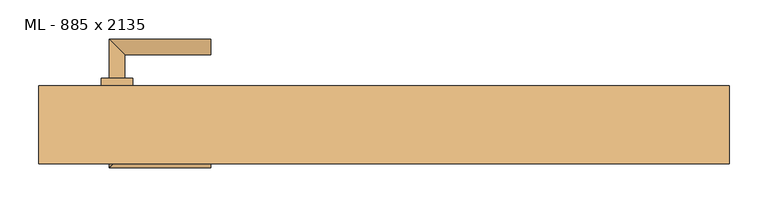
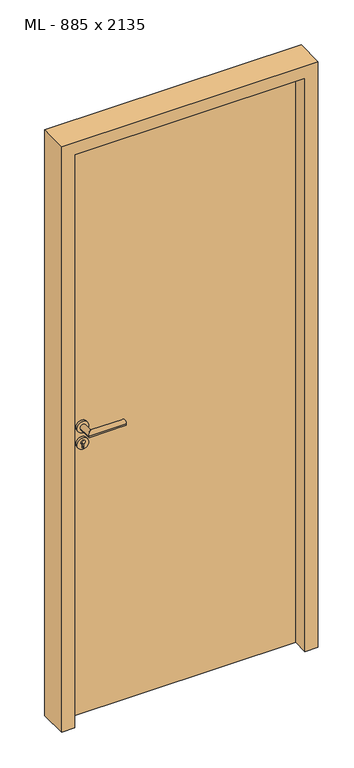
"""IFC4 building model written with IfcOpenShell, lengths in millimetres: door geometry, ML - 885 x 2135."""

from ifc_helpers import new_model, si_unit, point, frame, frame_2d, origin, origin_with_axes, place, context, project, spatial, polyline, circle_curve, ellipse_curve, trimmed, segment, composite_curve, outline, extrude, faceted_brep, source, transform, mapped, element, save
from ifc_brep_helpers import plane_surface, cylinder_surface, advanced_brep


def ml_885_x_2135_f3df6d15(model_context):
    return source(origin(), model_context, "Body", "SolidModel", [
        extrude(outline(polyline([(408.5, 50.0), (408.5, 5.0), (-408.5, 5.0), (-408.5, 50.0), (408.5, 50.0)])), origin_with_axes(), (0.0, 0.0, 1.0), 2101.0),
        advanced_brep(
        [(-332.5, 60.0, 1050.0), (-352.5, 60.0, 1050.0), (-332.5, 90.0, 1050.0), (-352.5, 110.0, 1050.0), (-222.5, 90.0, 1050.0), (-222.5, 110.0, 1050.0)],
        [
            (0, 1, circle_curve(frame((-342.5, 60.0, 1050.0), z_axis=(0.0, -1.0, 0.0), x_axis=(-1.0, 0.0, 0.0)), 10.0)),
            (1, 0, circle_curve(frame((-342.5, 60.0, 1050.0), z_axis=(0.0, -1.0, 0.0), x_axis=(-1.0, 0.0, 0.0)), 10.0)),
            (0, 2),
            (2, 3, ellipse_curve(frame((-342.5, 100.0, 1050.0), z_axis=(-0.7071067811865531, -0.7071067811865419, 0.0), x_axis=(0.707106781186542, -0.707106781186553, 0.0)), 14.1421356, 10.0)),
            (3, 1),
            (3, 2, ellipse_curve(frame((-342.5, 100.0, 1050.0), z_axis=(-0.7071067811865531, -0.7071067811865419, 0.0), x_axis=(0.707106781186542, -0.707106781186553, 0.0)), 14.1421356, 10.0)),
            (4, 5, circle_curve(frame((-222.5, 100.0, 1050.0), z_axis=(1.0, 0.0, 0.0), x_axis=(0.0, 1.0, 0.0)), 10.0)),
            (5, 4, circle_curve(frame((-222.5, 100.0, 1050.0), z_axis=(1.0, 0.0, 0.0), x_axis=(0.0, 1.0, 0.0)), 10.0)),
            (2, 4),
            (5, 3),
        ],
        [
            plane_surface(frame((-342.5, 60.0, 1050.0), z_axis=(0.0, -1.0, 0.0), x_axis=(0.0, 0.0, 1.0))),
            cylinder_surface(frame((-342.5, 60.0, 1050.0), z_axis=(0.0, -1.0, 0.0), x_axis=(-1.0, 0.0, 0.0)), 10.0),
            plane_surface(frame((-222.5, 100.0, 1050.0), z_axis=(1.0, 0.0, 0.0), x_axis=(0.0, 0.0, 1.0))),
            cylinder_surface(frame((-342.5, 100.0, 1050.0), z_axis=(-1.0, 0.0, 0.0), x_axis=(0.0, 1.0, 0.0)), 10.0),
        ],
        [
            (0, [[1, 2]]),
            (1, [[-1, 3, 4, 5]]),
            (1, [[-2, -5, 6, -3]]),
            (2, [[7, 8]]),
            (3, [[-4, 9, -8, 10]]),
            (3, [[-6, -10, -7, -9]]),
        ],
    ),
        extrude(outline(composite_curve([segment(trimmed(circle_curve(frame_2d((990.0, -342.5)), 20.0), [point((990.0, -362.5))], [point((990.0, -322.5))], False, "CARTESIAN"), True, "CONTINUOUS"), segment(trimmed(circle_curve(frame_2d((990.0, -342.5)), 20.0), [point((990.0, -322.5))], [point((990.0, -362.5))], False, "CARTESIAN"), True, "CONTINUOUS")], self_intersect=False), holes=[composite_curve([segment(polyline([(976.4601385, -344.897268), (988.4749012, -344.897268)]), True, "CONTINUOUS"), segment(trimmed(circle_curve(frame_2d((995.0361633, -342.5)), 6.9854888), [point((988.4749012, -344.897268))], [point((988.4749012, -340.102732))], True, "CARTESIAN"), True, "CONTINUOUS"), segment(polyline([(988.4749012, -340.102732), (976.4601385, -340.102732)]), True, "CONTINUOUS"), segment(trimmed(circle_curve(frame_2d((976.4601385, -342.5)), 2.397268), [point((976.4601385, -340.102732))], [point((976.4601385, -344.897268))], True, "CARTESIAN"), True, "CONTINUOUS")], self_intersect=False)]), frame((0.0, 50.0, 0.0), z_axis=(0.0, 1.0, 0.0), x_axis=(0.0, 0.0, 1.0)), (0.0, 0.0, 1.0), 10.0),
        advanced_brep(
        [(-332.5, 60.0, 1050.0), (-352.5, 60.0, 1050.0), (-332.5, 90.0, 1050.0), (-352.5, 110.0, 1050.0), (-222.5, 90.0, 1050.0), (-222.5, 110.0, 1050.0)],
        [
            (0, 1, circle_curve(frame((-342.5, 60.0, 1050.0), z_axis=(0.0, -1.0, 0.0), x_axis=(-1.0, 0.0, 0.0)), 10.0)),
            (1, 0, circle_curve(frame((-342.5, 60.0, 1050.0), z_axis=(0.0, -1.0, 0.0), x_axis=(-1.0, 0.0, 0.0)), 10.0)),
            (0, 2),
            (2, 3, ellipse_curve(frame((-342.5, 100.0, 1050.0), z_axis=(-0.7071067811865537, -0.7071067811865414, 0.0), x_axis=(0.7071067811865414, -0.7071067811865536, 0.0)), 14.1421356, 10.0)),
            (3, 1),
            (3, 2, ellipse_curve(frame((-342.5, 100.0, 1050.0), z_axis=(-0.7071067811865537, -0.7071067811865414, 0.0), x_axis=(0.7071067811865414, -0.7071067811865536, 0.0)), 14.1421356, 10.0)),
            (4, 5, circle_curve(frame((-222.5, 100.0, 1050.0), z_axis=(1.0, 0.0, 0.0), x_axis=(0.0, 1.0, 0.0)), 10.0)),
            (5, 4, circle_curve(frame((-222.5, 100.0, 1050.0), z_axis=(1.0, 0.0, 0.0), x_axis=(0.0, 1.0, 0.0)), 10.0)),
            (2, 4),
            (5, 3),
        ],
        [
            plane_surface(frame((-342.5, 60.0, 1050.0), z_axis=(0.0, -1.0, 0.0), x_axis=(0.0, 0.0, 1.0))),
            cylinder_surface(frame((-342.5, 60.0, 1050.0), z_axis=(0.0, -1.0, 0.0), x_axis=(-1.0, 0.0, 0.0)), 10.0),
            plane_surface(frame((-222.5, 100.0, 1050.0), z_axis=(1.0, 0.0, 0.0), x_axis=(0.0, 0.0, 1.0))),
            cylinder_surface(frame((-342.5, 100.0, 1050.0), z_axis=(-1.0, 0.0, 0.0), x_axis=(0.0, 1.0, 0.0)), 10.0),
        ],
        [
            (0, [[1, 2]]),
            (1, [[-1, 3, 4, 5]]),
            (1, [[-2, -5, 6, -3]]),
            (2, [[7, 8]]),
            (3, [[-4, 9, -8, 10]]),
            (3, [[-6, -10, -7, -9]]),
        ],
    ),
        extrude(outline(composite_curve([segment(trimmed(circle_curve(frame_2d((1050.0, -342.5)), 20.0), [point((1050.0, -362.5))], [point((1050.0, -322.5))], False, "CARTESIAN"), True, "CONTINUOUS"), segment(trimmed(circle_curve(frame_2d((1050.0, -342.5)), 20.0), [point((1050.0, -322.5))], [point((1050.0, -362.5))], False, "CARTESIAN"), True, "CONTINUOUS")], self_intersect=False)), frame((0.0, 50.0, 0.0), z_axis=(0.0, 1.0, 0.0), x_axis=(0.0, 0.0, 1.0)), (0.0, 0.0, 1.0), 10.0),
        advanced_brep(
        [(-332.5, -5.0, 1050.0), (-352.5, -5.0, 1050.0), (-352.5, -55.0, 1050.0), (-332.5, -35.0, 1050.0), (-222.5, -35.0, 1050.0), (-222.5, -55.0, 1050.0)],
        [
            (0, 1, circle_curve(frame((-342.5, -5.0, 1050.0), z_axis=(0.0, 1.0, 0.0), x_axis=(-1.0, 0.0, 0.0)), 10.0)),
            (1, 0, circle_curve(frame((-342.5, -5.0, 1050.0), z_axis=(0.0, 1.0, 0.0), x_axis=(-1.0, 0.0, 0.0)), 10.0)),
            (1, 2),
            (2, 3, ellipse_curve(frame((-342.5, -45.0, 1050.0), z_axis=(-0.7071067811865486, 0.7071067811865464, 0.0), x_axis=(0.7071067811865464, 0.7071067811865488, 0.0)), 14.1421356, 10.0)),
            (3, 0),
            (3, 2, ellipse_curve(frame((-342.5, -45.0, 1050.0), z_axis=(-0.7071067811865486, 0.7071067811865464, 0.0), x_axis=(0.7071067811865464, 0.7071067811865488, 0.0)), 14.1421356, 10.0)),
            (4, 5, circle_curve(frame((-222.5, -45.0, 1050.0), z_axis=(1.0, 0.0, 0.0), x_axis=(0.0, -1.0, 0.0)), 10.0)),
            (5, 4, circle_curve(frame((-222.5, -45.0, 1050.0), z_axis=(1.0, 0.0, 0.0), x_axis=(0.0, -1.0, 0.0)), 10.0)),
            (2, 5),
            (4, 3),
        ],
        [
            plane_surface(frame((-342.5, -5.0, 1050.0), z_axis=(0.0, 1.0, 0.0), x_axis=(0.0, 0.0, 1.0))),
            cylinder_surface(frame((-342.5, -5.0, 1050.0), z_axis=(0.0, 1.0, 0.0), x_axis=(-1.0, 0.0, 0.0)), 10.0),
            plane_surface(frame((-222.5, -45.0, 1050.0), z_axis=(1.0, 0.0, 0.0), x_axis=(0.0, 0.0, 1.0))),
            cylinder_surface(frame((-342.5, -45.0, 1050.0), z_axis=(-1.0, 0.0, 0.0), x_axis=(0.0, -1.0, 0.0)), 10.0),
        ],
        [
            (0, [[1, 2]]),
            (1, [[3, 4, 5, -2]]),
            (1, [[-5, 6, -3, -1]]),
            (2, [[7, 8]]),
            (3, [[9, -7, 10, -4]]),
            (3, [[-10, -8, -9, -6]]),
        ],
    ),
        extrude(outline(composite_curve([segment(trimmed(circle_curve(frame_2d((990.0, -342.5)), 20.0), [point((990.0, -362.5))], [point((990.0, -322.5))], False, "CARTESIAN"), True, "CONTINUOUS"), segment(trimmed(circle_curve(frame_2d((990.0, -342.5)), 20.0), [point((990.0, -322.5))], [point((990.0, -362.5))], False, "CARTESIAN"), True, "CONTINUOUS")], self_intersect=False), holes=[composite_curve([segment(polyline([(976.4601385, -344.897268), (988.4749012, -344.897268)]), True, "CONTINUOUS"), segment(trimmed(circle_curve(frame_2d((995.0361633, -342.5)), 6.9854888), [point((988.4749012, -344.897268))], [point((988.4749012, -340.102732))], True, "CARTESIAN"), True, "CONTINUOUS"), segment(polyline([(988.4749012, -340.102732), (976.4601385, -340.102732)]), True, "CONTINUOUS"), segment(trimmed(circle_curve(frame_2d((976.4601385, -342.5)), 2.397268), [point((976.4601385, -340.102732))], [point((976.4601385, -344.897268))], True, "CARTESIAN"), True, "CONTINUOUS")], self_intersect=False)]), frame((0.0, -5.0, 0.0), z_axis=(0.0, 1.0, 0.0), x_axis=(0.0, 0.0, 1.0)), (0.0, 0.0, 1.0), 10.0),
        advanced_brep(
        [(-332.5, -5.0, 1050.0), (-352.5, -5.0, 1050.0), (-352.5, -55.0, 1050.0), (-332.5, -35.0, 1050.0), (-222.5, -35.0, 1050.0), (-222.5, -55.0, 1050.0)],
        [
            (0, 1, circle_curve(frame((-342.5, -5.0, 1050.0), z_axis=(0.0, 1.0, 0.0), x_axis=(-1.0, 0.0, 0.0)), 10.0)),
            (1, 0, circle_curve(frame((-342.5, -5.0, 1050.0), z_axis=(0.0, 1.0, 0.0), x_axis=(-1.0, 0.0, 0.0)), 10.0)),
            (1, 2),
            (2, 3, ellipse_curve(frame((-342.5, -45.0, 1050.0), z_axis=(-0.7071067811865491, 0.7071067811865459, 0.0), x_axis=(0.7071067811865458, 0.7071067811865492, 0.0)), 14.1421356, 10.0)),
            (3, 0),
            (3, 2, ellipse_curve(frame((-342.5, -45.0, 1050.0), z_axis=(-0.7071067811865491, 0.7071067811865459, 0.0), x_axis=(0.7071067811865458, 0.7071067811865492, 0.0)), 14.1421356, 10.0)),
            (4, 5, circle_curve(frame((-222.5, -45.0, 1050.0), z_axis=(1.0, 0.0, 0.0), x_axis=(0.0, -1.0, 0.0)), 10.0)),
            (5, 4, circle_curve(frame((-222.5, -45.0, 1050.0), z_axis=(1.0, 0.0, 0.0), x_axis=(0.0, -1.0, 0.0)), 10.0)),
            (2, 5),
            (4, 3),
        ],
        [
            plane_surface(frame((-342.5, -5.0, 1050.0), z_axis=(0.0, 1.0, 0.0), x_axis=(0.0, 0.0, 1.0))),
            cylinder_surface(frame((-342.5, -5.0, 1050.0), z_axis=(0.0, 1.0, 0.0), x_axis=(-1.0, 0.0, 0.0)), 10.0),
            plane_surface(frame((-222.5, -45.0, 1050.0), z_axis=(1.0, 0.0, 0.0), x_axis=(0.0, 0.0, 1.0))),
            cylinder_surface(frame((-342.5, -45.0, 1050.0), z_axis=(-1.0, 0.0, 0.0), x_axis=(0.0, -1.0, 0.0)), 10.0),
        ],
        [
            (0, [[1, 2]]),
            (1, [[3, 4, 5, -2]]),
            (1, [[-5, 6, -3, -1]]),
            (2, [[7, 8]]),
            (3, [[9, -7, 10, -4]]),
            (3, [[-10, -8, -9, -6]]),
        ],
    ),
        extrude(outline(composite_curve([segment(trimmed(circle_curve(frame_2d((1050.0, -342.5)), 20.0), [point((1050.0, -362.5))], [point((1050.0, -322.5))], False, "CARTESIAN"), True, "CONTINUOUS"), segment(trimmed(circle_curve(frame_2d((1050.0, -342.5)), 20.0), [point((1050.0, -322.5))], [point((1050.0, -362.5))], False, "CARTESIAN"), True, "CONTINUOUS")], self_intersect=False)), frame((0.0, -5.0, 0.0), z_axis=(0.0, 1.0, 0.0), x_axis=(0.0, 0.0, 1.0)), (0.0, 0.0, 1.0), 10.0),
        faceted_brep([(-412.5, 50.0, 0.0), (-412.5, 5.0, 0.0), (-397.5, 5.0, 0.0), (-397.5, -50.0, 0.0), (-442.5, -50.0, 0.0), (-442.5, 50.0, 0.0), (-412.5, 50.0, 2105.0), (-412.5, 5.0, 2105.0), (412.5, 5.0, 2105.0), (412.5, 5.0, 0.0), (397.5, 5.0, 0.0), (397.5, 5.0, 2090.0), (-397.5, 5.0, 2090.0), (-397.5, -50.0, 2090.0), (397.5, -50.0, 2090.0), (397.5, -50.0, 0.0), (442.5, -50.0, 0.0), (442.5, -50.0, 2135.0), (-442.5, -50.0, 2135.0), (-442.5, 50.0, 2135.0), (442.5, 50.0, 2135.0), (442.5, 50.0, 0.0), (412.5, 50.0, 0.0), (412.5, 50.0, 2105.0)], [[[0, 1, 2, 3, 4, 5]], [[1, 0, 6, 7]], [[2, 1, 7, 8, 9, 10, 11, 12]], [[3, 2, 12, 13]], [[4, 3, 13, 14, 15, 16, 17, 18]], [[5, 4, 18, 19]], [[0, 5, 19, 20, 21, 22, 23, 6]], [[20, 17, 16, 21]], [[22, 21, 16, 15, 10, 9]], [[8, 23, 22, 9]], [[14, 11, 10, 15]], [[19, 18, 17, 20]], [[13, 12, 11, 14]], [[7, 6, 23, 8]]]),
    ])


if __name__ == "__main__":
    model = new_model("IFC4")
    model_context = context("Model", 3, world=origin())
    ifc_project = project(units=[si_unit("LENGTHUNIT", "METRE", prefix="MILLI")], contexts=[model_context])
    site = spatial("IfcSite", under=ifc_project)
    building = spatial("IfcBuilding", under=site)
    placement = place(None, origin())
    ml_885_x_2135_shape = ml_885_x_2135_f3df6d15(model_context)
    element("IfcDoor", 1, ObjectType="ML - 885 x 2135", at=placement, inside=building, context=model_context, shape_type="MappedRepresentation", body=[
        mapped(ml_885_x_2135_shape, transform((0.0, 0.0, 0.0), x_axis=(1.0, 0.0, 0.0), y_axis=(0.0, 1.0, 0.0), z_axis=(0.0, 0.0, 1.0))),
    ])
    save(model, "model.ifc")
